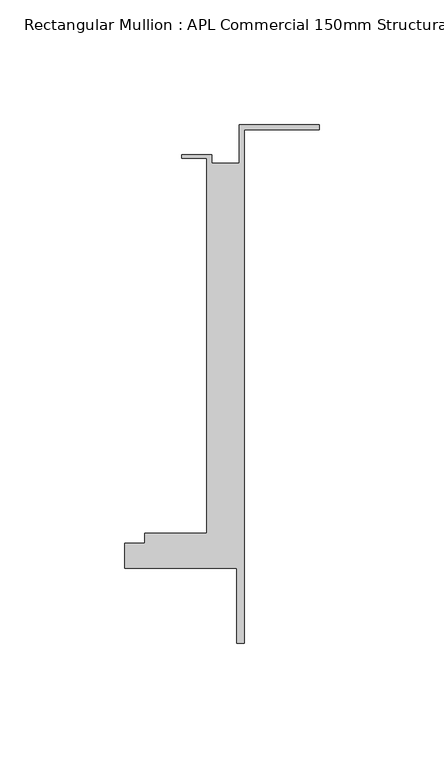
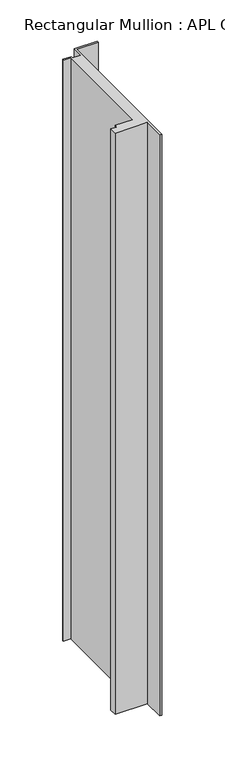
"""IFC4 building model written with IfcOpenShell, lengths in millimetres: member geometry, Rectangular Mullion : APL Commercial 150mm Structural Glaze SubSill."""

from ifc_helpers import new_model, si_unit, frame, origin, place, context, project, spatial, polyline, outline, extrude, source, transform, mapped, element, save


def rectangular_mullion_apl_commercial_150mm_structural_glaze_5a2378c2(model_context):
    return source(origin(), model_context, "Body", "SweptSolid", [
        extrude(outline(polyline([(-32.0, 41.25), (0.0, 41.25), (0.0, 39.25), (-30.0, 39.25), (-30.0, -166.75), (-33.0000284, -166.75), (-33.0000284, -136.75), (-78.0000284, -136.75), (-78.0000284, -126.75), (-70.0000284, -126.75), (-70.0000284, -122.75), (-45.0, -122.75), (-45.0, 27.75), (-55.0, 27.75), (-55.0, 29.25), (-43.0, 29.25), (-43.0, 25.75), (-32.0, 25.75), (-32.0, 41.25)])), frame((0.0, 0.0, -857.0105876), z_axis=(0.0, 0.0, 1.0), x_axis=(1.0, 0.0, 0.0)), (0.0, 0.0, 1.0), 857.0105876),
    ])


if __name__ == "__main__":
    model = new_model("IFC4")
    model_context = context("Model", 3, world=origin())
    ifc_project = project(units=[si_unit("LENGTHUNIT", "METRE", prefix="MILLI")], contexts=[model_context])
    site = spatial("IfcSite", under=ifc_project)
    building = spatial("IfcBuilding", under=site)
    placement = place(None, origin())
    rectangular_mullion_apl_commercial_150mm_structural_glaze_shape = rectangular_mullion_apl_commercial_150mm_structural_glaze_5a2378c2(model_context)
    element("IfcMember", 1, ObjectType="Rectangular Mullion : APL Commercial 150mm Structural Glaze SubSill", at=placement, inside=building, context=model_context, shape_type="MappedRepresentation", body=[
        mapped(rectangular_mullion_apl_commercial_150mm_structural_glaze_shape, transform((0.0, 0.0, 0.0), x_axis=(1.0, 0.0, 0.0), y_axis=(0.0, 1.0, 0.0), z_axis=(0.0, 0.0, 1.0))),
    ])
    save(model, "model.ifc")
